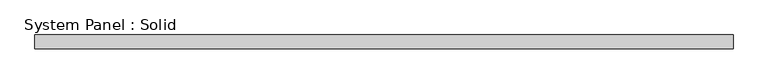
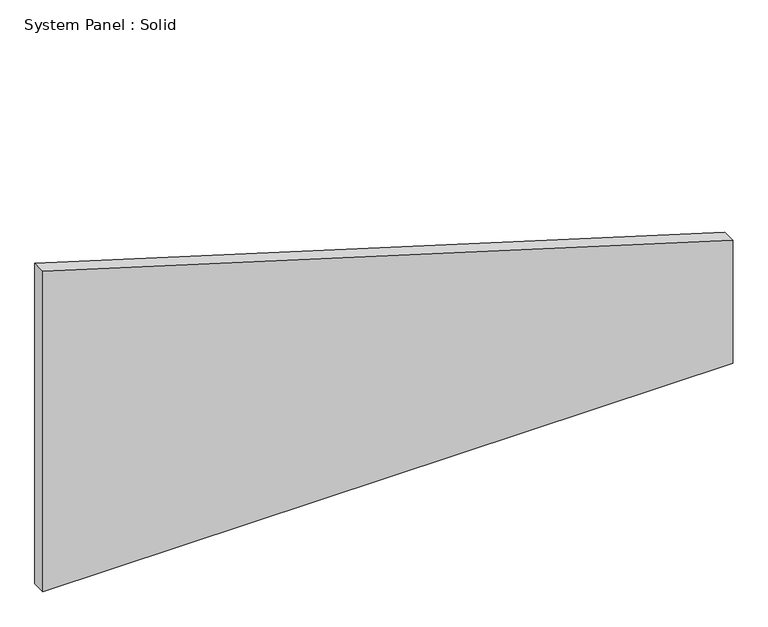
"""IFC4 building model written with IfcOpenShell, lengths in millimetres: plate geometry, System Panel : Solid."""

from ifc_helpers import new_model, si_unit, frame, origin, place, context, project, spatial, polyline, outline, extrude, source, transform, mapped, element, save


def system_panel_solid_8e0e2375(model_context):
    return source(origin(), model_context, "Body", "SweptSolid", [
        extrude(outline(polyline([(0.0, -1500.0), (0.0, 1500.0), (564.2540764, 1500.0), (1471.4502972, -1500.0), (0.0, -1500.0)])), frame((0.0, -10.5, 0.0), z_axis=(0.0, 1.0, 0.0), x_axis=(0.0, 0.0, 1.0)), (0.0, 0.0, 1.0), 60.0),
    ])


if __name__ == "__main__":
    model = new_model("IFC4")
    model_context = context("Model", 3, world=origin())
    ifc_project = project(units=[si_unit("LENGTHUNIT", "METRE", prefix="MILLI")], contexts=[model_context])
    site = spatial("IfcSite", under=ifc_project)
    building = spatial("IfcBuilding", under=site)
    placement = place(None, origin())
    system_panel_solid_shape = system_panel_solid_8e0e2375(model_context)
    element("IfcPlate", 1, ObjectType="System Panel : Solid", at=placement, inside=building, context=model_context, shape_type="MappedRepresentation", body=[
        mapped(system_panel_solid_shape, transform((0.0, 0.0, 0.0), x_axis=(1.0, 0.0, 0.0), y_axis=(0.0, 1.0, 0.0), z_axis=(0.0, 0.0, 1.0))),
    ])
    save(model, "model.ifc")
